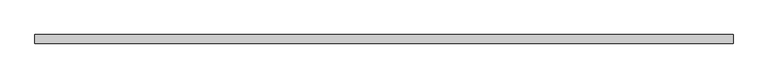
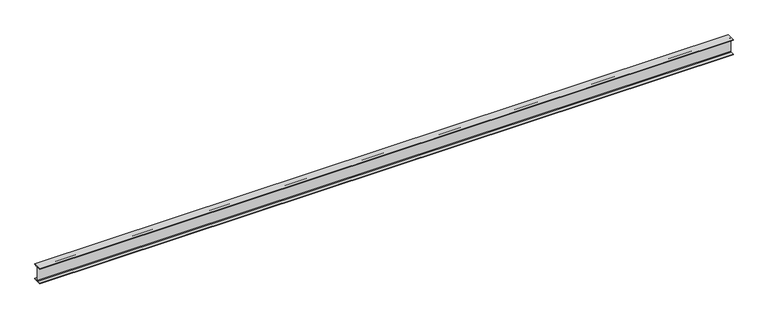
"""IFC4 building model written with IfcOpenShell, lengths in millimetres: beam geometry."""

import ifcopenshell
import ifcopenshell.guid

model = None  # the IFC model being written
_history = None  # IfcOwnerHistory: only IFC2X3 demands one
_inside = {}  # id of a spatial element -> (the spatial element, [elements in it])
_under = {}  # id of a project, library or spatial element -> (it, [spatial elements below it])
_declared = {}  # id of a project -> (the project, [libraries it declares])
_typed = {}  # id of a type object -> (the type object, [elements of that type])
_made_of = {}  # id of a material, layer set ... -> (it, [elements and type objects made of it])


def new_model(schema):
    """Start an empty IFC model of exactly this schema.

    Asked for "IFC4X3", IfcOpenShell would pick the latest addendum, in which some entities
    have other attributes; the version numbers below select the first issue.
    IFC2X3 requires an IfcOwnerHistory on every rooted entity: one is made here for all.
    """
    global model, _history
    if schema == "IFC4X3":
        model = ifcopenshell.file(schema_version=(4, 3, 0, 0))
    else:
        model = ifcopenshell.file(schema=schema)
    _inside.clear()
    _under.clear()
    _declared.clear()
    _typed.clear()
    _made_of.clear()
    _history = None
    if model.schema == "IFC2X3":
        org = make("IfcOrganization", Name="unknown")
        user = make(
            "IfcPersonAndOrganization",
            ThePerson=make("IfcPerson", FamilyName="unknown"),
            TheOrganization=org,
        )
        app = make(
            "IfcApplication",
            ApplicationDeveloper=org,
            Version="unknown",
            ApplicationFullName="unknown",
            ApplicationIdentifier="unknown",
        )
        _history = make(
            "IfcOwnerHistory",
            OwningUser=user,
            OwningApplication=app,
            ChangeAction="ADDED",
            CreationDate=0,
        )
    return model


def make(cls, **values):
    """One entity of the class cls with the attributes given. An attribute that is None is left unset."""
    return model.create_entity(
        cls, **{name: value for name, value in values.items() if value is not None}
    )


def rooted(cls, **values):
    """An entity with a GlobalId (a new one), such as an element, a storey or a relation."""
    return make(cls, GlobalId=ifcopenshell.guid.new(), OwnerHistory=_history, **values)


def si_unit(unit_type, name, prefix=None):
    """IfcSIUnit, for example si_unit("LENGTHUNIT", "METRE", prefix="MILLI")."""
    return make("IfcSIUnit", UnitType=unit_type, Prefix=prefix, Name=name)


def assignment(units):
    """IfcUnitAssignment: the units of a project."""
    return None if units is None else make("IfcUnitAssignment", Units=units)


def point(xyz):
    """IfcCartesianPoint."""
    return None if xyz is None else make("IfcCartesianPoint", Coordinates=xyz)


def direction(xyz):
    """IfcDirection."""
    return None if xyz is None else make("IfcDirection", DirectionRatios=xyz)


def frame(location, z_axis=None, x_axis=None):
    """IfcAxis2Placement3D, a coordinate frame: its origin and axes. An axis left out is left unset."""
    return make(
        "IfcAxis2Placement3D",
        Location=point(location),
        Axis=direction(z_axis),
        RefDirection=direction(x_axis),
    )


def frame_2d(location, x_axis=None):
    """IfcAxis2Placement2D, a coordinate frame in the plane: its origin and x axis."""
    return make(
        "IfcAxis2Placement2D", Location=point(location), RefDirection=direction(x_axis)
    )


def origin():
    """The frame at (0, 0, 0) with its axes left unset."""
    return frame((0.0, 0.0, 0.0))


def place(relative_to, where):
    """IfcLocalPlacement: puts the frame where relative to a parent placement (None: the world)."""
    return make(
        "IfcLocalPlacement", PlacementRelTo=relative_to, RelativePlacement=where
    )


def context(
    kind, dimensions, precision=None, world=None, true_north=None, identifier=None
):
    """IfcGeometricRepresentationContext, for example the 3D "Model" context."""
    return make(
        "IfcGeometricRepresentationContext",
        ContextIdentifier=identifier,
        ContextType=kind,
        CoordinateSpaceDimension=dimensions,
        Precision=precision,
        WorldCoordinateSystem=world,
        TrueNorth=true_north,
    )


def project(units=None, contexts=None):
    """IfcProject with its units and contexts."""
    return rooted(
        "IfcProject",
        Name="project",
        RepresentationContexts=contexts,
        UnitsInContext=assignment(units),
    )


def spatial(cls, under=None, at=None, **own):
    """A site, building, storey or space (cls), placed at a placement, below another one or the project."""
    s = rooted(cls, ObjectPlacement=at, **own)
    if under is not None:
        _under.setdefault(under.id(), (under, []))[1].append(s)
    return s


def polyline(points):
    """IfcPolyline through the points."""
    return make("IfcPolyline", Points=[point(p) for p in points])


def circle_curve(where, radius):
    """IfcCircle in the frame where."""
    return make("IfcCircle", Position=where, Radius=radius)


def trimmed(basis, trim1, trim2, sense, master):
    """IfcTrimmedCurve: the piece of a basis curve between two trims."""
    return make(
        "IfcTrimmedCurve",
        BasisCurve=basis,
        Trim1=trim1,
        Trim2=trim2,
        SenseAgreement=sense,
        MasterRepresentation=master,
    )


def segment(curve, same_sense, transition):
    """IfcCompositeCurveSegment."""
    return make(
        "IfcCompositeCurveSegment",
        Transition=transition,
        SameSense=same_sense,
        ParentCurve=curve,
    )


def composite_curve(segments, self_intersect=None):
    """IfcCompositeCurve: segments joined end to end."""
    return make("IfcCompositeCurve", Segments=segments, SelfIntersect=self_intersect)


def outline(outer, holes=None, kind="AREA"):
    """IfcArbitraryClosedProfileDef: a profile drawn as a closed curve; with holes, ...WithVoids."""
    if holes is None:
        return make("IfcArbitraryClosedProfileDef", ProfileType=kind, OuterCurve=outer)
    return make(
        "IfcArbitraryProfileDefWithVoids",
        ProfileType=kind,
        OuterCurve=outer,
        InnerCurves=holes,
    )


def extrude(swept, where, along, depth):
    """IfcExtrudedAreaSolid: the profile swept, set in the frame where, extruded along a direction by depth."""
    return make(
        "IfcExtrudedAreaSolid",
        SweptArea=swept,
        Position=where,
        ExtrudedDirection=direction(along),
        Depth=depth,
    )


def shape(context_of_items, identifier, shape_type, items):
    """IfcShapeRepresentation: the items that make up one representation, for example the "Body"."""
    return make(
        "IfcShapeRepresentation",
        ContextOfItems=context_of_items,
        RepresentationIdentifier=identifier,
        RepresentationType=shape_type,
        Items=items,
    )


def source(mapping_origin, context_of_items, identifier, shape_type, items):
    """IfcRepresentationMap: a shape defined once, which mapped items show again and again."""
    return make(
        "IfcRepresentationMap",
        MappingOrigin=mapping_origin,
        MappedRepresentation=shape(context_of_items, identifier, shape_type, items),
    )


def transform(
    local_origin,
    x_axis=None,
    y_axis=None,
    z_axis=None,
    scale=None,
    scale2=None,
    scale3=None,
    uniform=True,
):
    """IfcCartesianTransformationOperator3D, or its non-uniform kind. x_axis, y_axis, z_axis: its Axis1, 2, 3."""
    if uniform:
        return make(
            "IfcCartesianTransformationOperator3D",
            Axis1=direction(x_axis),
            Axis2=direction(y_axis),
            LocalOrigin=point(local_origin),
            Scale=scale,
            Axis3=direction(z_axis),
        )
    return make(
        "IfcCartesianTransformationOperator3DnonUniform",
        Axis1=direction(x_axis),
        Axis2=direction(y_axis),
        LocalOrigin=point(local_origin),
        Scale=scale,
        Axis3=direction(z_axis),
        Scale2=scale2,
        Scale3=scale3,
    )


def mapped(mapping_source, mapping_target):
    """IfcMappedItem: shows the shape of a source again, moved by a transform."""
    return make(
        "IfcMappedItem", MappingSource=mapping_source, MappingTarget=mapping_target
    )


def made_of(thing, what):
    """Note that an element or type object is made of a material, layer set ...; save() writes the relation."""
    if what is not None:
        _made_of.setdefault(what.id(), (what, []))[1].append(thing)
    return thing


def element(
    cls,
    number,
    at=None,
    inside=None,
    cuts=None,
    type_object=None,
    material=None,
    context=None,
    identifier="Body",
    shape_type=None,
    held_by="IfcProductDefinitionShape",
    body=None,
    shapes=None,
    **own,
):
    """One element of the class cls, such as IfcWall. Its Tag is "e" and its number.

    at: its placement. inside: the storey or other place that contains it. cuts: it is an
    opening in that element (IfcRelVoidsElement). A single representation is given by context,
    identifier, shape_type and body (its items); several are given by shapes. held_by: the class
    of the entity that holds the representations. save() writes the other relations.
    """
    e = rooted(cls, Tag="e%d" % number, ObjectPlacement=at, **own)
    if body is not None:
        shapes = [shape(context, identifier, shape_type, body)]
    if shapes is not None:
        e.Representation = make(held_by, Representations=shapes)
    if inside is not None:
        _inside.setdefault(inside.id(), (inside, []))[1].append(e)
    if cuts is not None:
        rooted(
            "IfcRelVoidsElement", RelatingBuildingElement=cuts, RelatedOpeningElement=e
        )
    if type_object is not None:
        _typed.setdefault(type_object.id(), (type_object, []))[1].append(e)
    return made_of(e, material)


def aggregate(whole, parts):
    """IfcRelAggregates: a whole, such as a stair, and the parts it consists of."""
    return rooted("IfcRelAggregates", RelatingObject=whole, RelatedObjects=parts)


def save(model, path):
    """Write the relations noted so far, then the file.

    IfcRelAggregates (storeys below a building ...), IfcRelContainedInSpatialStructure (elements
    in a storey), IfcRelDefinesByType, IfcRelAssociatesMaterial and IfcRelDeclares: one each for
    every whole, place, type object, material and project.
    """
    for whole, parts in _under.values():
        aggregate(whole, parts)
    for where, things in _inside.values():
        rooted(
            "IfcRelContainedInSpatialStructure",
            RelatedElements=things,
            RelatingStructure=where,
        )
    for kind, things in _typed.values():
        rooted("IfcRelDefinesByType", RelatedObjects=things, RelatingType=kind)
    for what, things in _made_of.values():
        rooted("IfcRelAssociatesMaterial", RelatedObjects=things, RelatingMaterial=what)
    for by, libraries in _declared.values():
        rooted("IfcRelDeclares", RelatingContext=by, RelatedDefinitions=libraries)
    model.write(path)


def beam_7d757aee(model_context):
    return source(origin(), model_context, "Body", "SweptSolid", [
        extrude(outline(composite_curve([segment(polyline([(82.5, -141.8), (82.5, -152.0), (-82.5, -152.0), (-82.5, -141.8), (-14.45, -141.8)]), True, "CONTINUOUS"), segment(trimmed(circle_curve(frame_2d((-14.45, -130.4)), 11.4), [point((-14.45, -141.8))], [point((-3.05, -130.4))], True, "CARTESIAN"), True, "CONTINUOUS"), segment(polyline([(-3.05, -130.4), (-3.05, 130.4)]), True, "CONTINUOUS"), segment(trimmed(circle_curve(frame_2d((-14.45, 130.4)), 11.4), [point((-3.05, 130.4))], [point((-14.45, 141.8))], True, "CARTESIAN"), True, "CONTINUOUS"), segment(polyline([(-14.45, 141.8), (-82.5, 141.8), (-82.5, 152.0), (82.5, 152.0), (82.5, 141.8), (14.45, 141.8)]), True, "CONTINUOUS"), segment(trimmed(circle_curve(frame_2d((14.45, 130.4)), 11.4), [point((14.45, 141.8))], [point((3.05, 130.4))], True, "CARTESIAN"), True, "CONTINUOUS"), segment(polyline([(3.05, 130.4), (3.05, -130.4)]), True, "CONTINUOUS"), segment(trimmed(circle_curve(frame_2d((14.45, -130.4)), 11.4), [point((3.05, -130.4))], [point((14.45, -141.8))], True, "CARTESIAN"), True, "CONTINUOUS"), segment(polyline([(14.45, -141.8), (82.5, -141.8)]), True, "CONTINUOUS")], self_intersect=False)), frame((-6665.0, 0.0, 0.0), z_axis=(1.0, 0.0, 0.0), x_axis=(0.0, 1.0, 0.0)), (0.0, 0.0, 1.0), 13404.0),
    ])


if __name__ == "__main__":
    model = new_model("IFC4")
    model_context = context("Model", 3, world=origin())
    ifc_project = project(units=[si_unit("LENGTHUNIT", "METRE", prefix="MILLI")], contexts=[model_context])
    site = spatial("IfcSite", under=ifc_project)
    building = spatial("IfcBuilding", under=site)
    placement = place(None, origin())
    beam_shape = beam_7d757aee(model_context)
    element("IfcBeam", 1, at=placement, inside=building, context=model_context, shape_type="MappedRepresentation", body=[
        mapped(beam_shape, transform((0.0, 0.0, 0.0), x_axis=(1.0, 0.0, 0.0), y_axis=(0.0, 1.0, 0.0), z_axis=(0.0, 0.0, 1.0))),
    ])
    save(model, "model.ifc")
